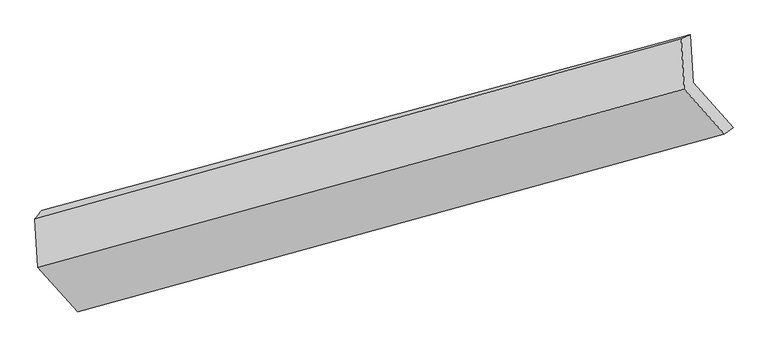
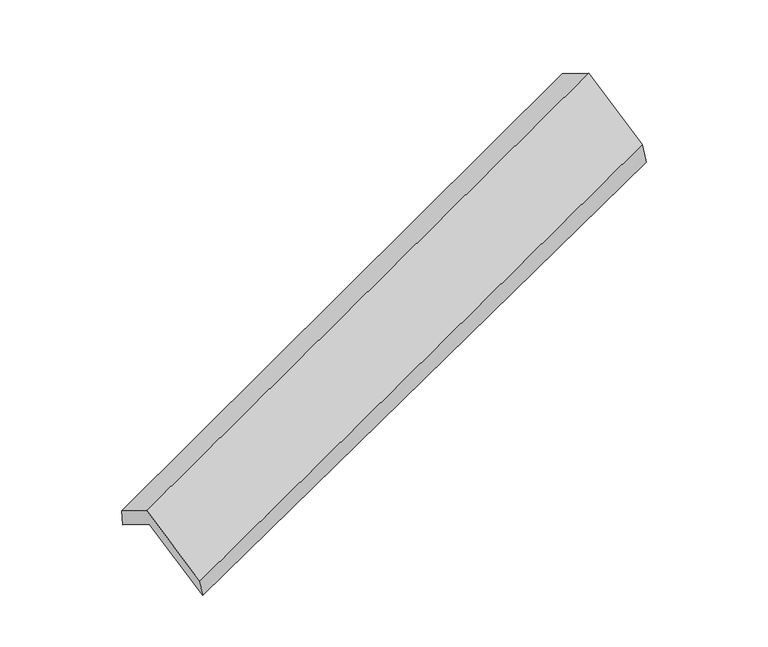
"""IFC4 building model written with IfcOpenShell, lengths in millimetres: proxy geometry."""

from ifc_helpers import new_model, si_unit, frame, origin, place, context, project, spatial, source, transform, mapped, element, save
from ifc_brep_helpers import plane_surface, spline_surface, advanced_brep


def generic_models_504614ff(model_context):
    return source(origin(), model_context, "Body", "AdvancedBrep", [
        advanced_brep(
        [(-5101.2259119, -2095.7204828, 1311.1394297), (-5121.7197909, -1754.8912719, 1108.267495), (-754.1127085, -570.4273441, 2656.9819338), (-734.6508327, -894.0935345, 2849.6379156), (-5166.9181145, -1812.7698681, 1280.8367067), (-814.2080475, -596.0256395, 2847.0977036), (-5147.4118951, -2137.1735277, 1473.9316526), (-793.7141684, -936.8548504, 3049.9696383), (-4878.3989593, -2438.1346481, 941.135138), (-523.8074418, -1238.8159088, 2515.4029166), (-4831.3191853, -2397.6815413, 776.572708), (-464.7441062, -1196.054593, 2315.0711938)],
        [
            (0, 1),
            (1, 2),
            (2, 3),
            (3, 0),
            (1, 4),
            (4, 5),
            (5, 2),
            (4, 6),
            (6, 7),
            (7, 5),
            (6, 8),
            (8, 9),
            (9, 7),
            (8, 10),
            (10, 11),
            (11, 9),
            (10, 0),
            (3, 11),
        ],
        [
            plane_surface(frame((-5111.4728514, -1925.3058774, 1209.7034624), z_axis=(0.4043563606832965, -0.44972442598367623, -0.7963942957157673), x_axis=(-0.0516001645492615, 0.8581510274954786, -0.5107976478283192))),
            spline_surface(1, 1, [[(-5121.7197909, -1754.8912719, 1108.267495), (-754.1127085, -570.4273441, 2656.9819338)], [(-5166.9181145, -1812.7698681, 1280.8367067), (-814.2080475, -596.0256395, 2847.0977036)]], [2, 2], [2, 2], [0.0, 1.0], [0.0, 1.0]),
            plane_surface(frame((-5157.1650048, -1974.9716979, 1377.3841796), z_axis=(-0.41093491285662076, 0.4479258063539559, 0.7940371335130869), x_axis=(0.05160016454926249, -0.8581510274954781, 0.5107976478283197))),
            plane_surface(frame((-5012.9054272, -2287.6540879, 1207.5333953), z_axis=(0.05167023534890458, -0.8581321118915727, 0.5108223422281944), x_axis=(0.40244634605544743, -0.4502411857798376, -0.7970695158981962))),
            spline_surface(1, 1, [[(-4878.3989593, -2438.1346481, 941.135138), (-523.8074418, -1238.8159088, 2515.4029166)], [(-4831.3191853, -2397.6815413, 776.572708), (-464.7441062, -1196.054593, 2315.0711938)]], [2, 2], [2, 2], [0.0, 1.0], [0.0, 1.0]),
            plane_surface(frame((-4966.2725486, -2246.7010121, 1043.8560689), z_axis=(-0.055421476791386926, 0.8571119806378664, -0.5121401298055988), x_axis=(-0.4024463460554365, 0.45024118577984, 0.7970695158982004))),
            plane_surface(frame((-680.8728842, -905.3786451, 2705.6935503), z_axis=(0.9139881627051373, 0.24669756511981053, 0.32212722610615296), x_axis=(0.277046041602327, 0.2005788050757083, -0.9396880513164371))),
            plane_surface(frame((-5041.1656429, -2106.06189, 1148.6471883), z_axis=(-0.9139881627051383, -0.24669756511986177, -0.3221272261061107), x_axis=(0.40244634605542645, -0.4502411857798422, -0.7970695158982043))),
        ],
        [
            (0, [[1, 2, 3, 4]]),
            (1, [[5, 6, 7, -2]]),
            (2, [[8, 9, 10, -6]]),
            (3, [[11, 12, 13, -9]]),
            (4, [[14, 15, 16, -12]]),
            (5, [[17, -4, 18, -15]]),
            (6, [[-16, -18, -3, -7, -10, -13]]),
            (7, [[-17, -14, -11, -8, -5, -1]]),
        ],
    ),
    ])


if __name__ == "__main__":
    model = new_model("IFC4")
    model_context = context("Model", 3, world=origin())
    ifc_project = project(units=[si_unit("LENGTHUNIT", "METRE", prefix="MILLI")], contexts=[model_context])
    site = spatial("IfcSite", under=ifc_project)
    building = spatial("IfcBuilding", under=site)
    placement = place(None, origin())
    generic_models_shape = generic_models_504614ff(model_context)
    element("IfcBuildingElementProxy", 1, Name="Generic Models", at=placement, inside=building, context=model_context, shape_type="MappedRepresentation", body=[
        mapped(generic_models_shape, transform((0.0, 0.0, 0.0), x_axis=(1.0, 0.0, 0.0), y_axis=(0.0, 1.0, 0.0), z_axis=(0.0, 0.0, 1.0))),
    ])
    save(model, "model.ifc")
